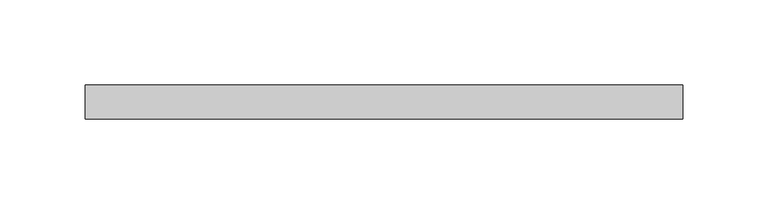
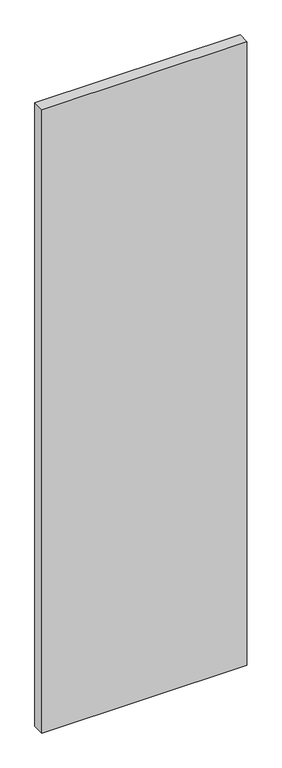
"""IFC4 building model written with IfcOpenShell, lengths in millimetres: plate geometry."""

from ifc_helpers import new_model, si_unit, origin, origin_with_axes, place, context, project, spatial, polyline, outline, extrude, source, transform, mapped, element, save


def plate_ba8c5a93(model_context):
    return source(origin(), model_context, "Body", "SweptSolid", [
        extrude(outline(polyline([(175.0, 20.0), (-175.0, 20.0), (-175.0, 40.0), (175.0, 40.0), (175.0, 20.0)])), origin_with_axes(), (0.0, 0.0, 1.0), 1125.0),
    ])


if __name__ == "__main__":
    model = new_model("IFC4")
    model_context = context("Model", 3, world=origin())
    ifc_project = project(units=[si_unit("LENGTHUNIT", "METRE", prefix="MILLI")], contexts=[model_context])
    site = spatial("IfcSite", under=ifc_project)
    building = spatial("IfcBuilding", under=site)
    placement = place(None, origin())
    plate_shape = plate_ba8c5a93(model_context)
    element("IfcPlate", 1, at=placement, inside=building, context=model_context, shape_type="MappedRepresentation", body=[
        mapped(plate_shape, transform((0.0, 0.0, 0.0), x_axis=(1.0, 0.0, 0.0), y_axis=(0.0, 1.0, 0.0), z_axis=(0.0, 0.0, 1.0))),
    ])
    save(model, "model.ifc")
